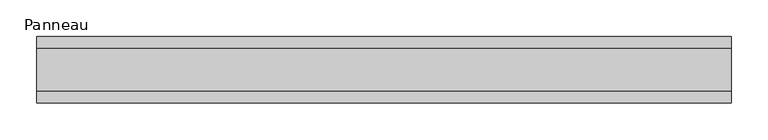
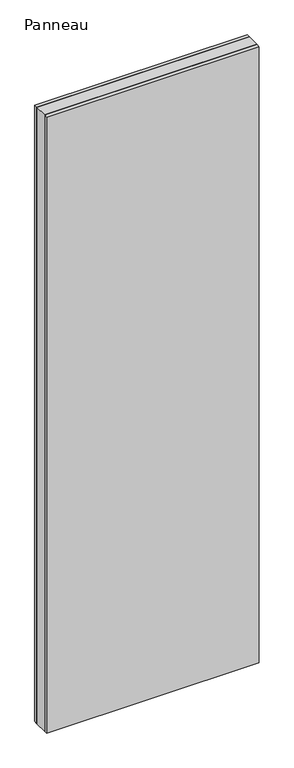
"""IFC4 building model written with IfcOpenShell, lengths in millimetres: plate geometry, Panneau."""

import ifcopenshell
import ifcopenshell.guid

model = None  # the IFC model being written
_history = None  # IfcOwnerHistory: only IFC2X3 demands one
_inside = {}  # id of a spatial element -> (the spatial element, [elements in it])
_under = {}  # id of a project, library or spatial element -> (it, [spatial elements below it])
_declared = {}  # id of a project -> (the project, [libraries it declares])
_typed = {}  # id of a type object -> (the type object, [elements of that type])
_made_of = {}  # id of a material, layer set ... -> (it, [elements and type objects made of it])


def new_model(schema):
    """Start an empty IFC model of exactly this schema.

    Asked for "IFC4X3", IfcOpenShell would pick the latest addendum, in which some entities
    have other attributes; the version numbers below select the first issue.
    IFC2X3 requires an IfcOwnerHistory on every rooted entity: one is made here for all.
    """
    global model, _history
    if schema == "IFC4X3":
        model = ifcopenshell.file(schema_version=(4, 3, 0, 0))
    else:
        model = ifcopenshell.file(schema=schema)
    _inside.clear()
    _under.clear()
    _declared.clear()
    _typed.clear()
    _made_of.clear()
    _history = None
    if model.schema == "IFC2X3":
        org = make("IfcOrganization", Name="unknown")
        user = make(
            "IfcPersonAndOrganization",
            ThePerson=make("IfcPerson", FamilyName="unknown"),
            TheOrganization=org,
        )
        app = make(
            "IfcApplication",
            ApplicationDeveloper=org,
            Version="unknown",
            ApplicationFullName="unknown",
            ApplicationIdentifier="unknown",
        )
        _history = make(
            "IfcOwnerHistory",
            OwningUser=user,
            OwningApplication=app,
            ChangeAction="ADDED",
            CreationDate=0,
        )
    return model


def make(cls, **values):
    """One entity of the class cls with the attributes given. An attribute that is None is left unset."""
    return model.create_entity(
        cls, **{name: value for name, value in values.items() if value is not None}
    )


def rooted(cls, **values):
    """An entity with a GlobalId (a new one), such as an element, a storey or a relation."""
    return make(cls, GlobalId=ifcopenshell.guid.new(), OwnerHistory=_history, **values)


def si_unit(unit_type, name, prefix=None):
    """IfcSIUnit, for example si_unit("LENGTHUNIT", "METRE", prefix="MILLI")."""
    return make("IfcSIUnit", UnitType=unit_type, Prefix=prefix, Name=name)


def assignment(units):
    """IfcUnitAssignment: the units of a project."""
    return None if units is None else make("IfcUnitAssignment", Units=units)


def point(xyz):
    """IfcCartesianPoint."""
    return None if xyz is None else make("IfcCartesianPoint", Coordinates=xyz)


def direction(xyz):
    """IfcDirection."""
    return None if xyz is None else make("IfcDirection", DirectionRatios=xyz)


def frame(location, z_axis=None, x_axis=None):
    """IfcAxis2Placement3D, a coordinate frame: its origin and axes. An axis left out is left unset."""
    return make(
        "IfcAxis2Placement3D",
        Location=point(location),
        Axis=direction(z_axis),
        RefDirection=direction(x_axis),
    )


def origin():
    """The frame at (0, 0, 0) with its axes left unset."""
    return frame((0.0, 0.0, 0.0))


def origin_with_axes():
    """The frame at (0, 0, 0) with the z axis (0, 0, 1) and the x axis (1, 0, 0) written out."""
    return frame((0.0, 0.0, 0.0), z_axis=(0.0, 0.0, 1.0), x_axis=(1.0, 0.0, 0.0))


def place(relative_to, where):
    """IfcLocalPlacement: puts the frame where relative to a parent placement (None: the world)."""
    return make(
        "IfcLocalPlacement", PlacementRelTo=relative_to, RelativePlacement=where
    )


def context(
    kind, dimensions, precision=None, world=None, true_north=None, identifier=None
):
    """IfcGeometricRepresentationContext, for example the 3D "Model" context."""
    return make(
        "IfcGeometricRepresentationContext",
        ContextIdentifier=identifier,
        ContextType=kind,
        CoordinateSpaceDimension=dimensions,
        Precision=precision,
        WorldCoordinateSystem=world,
        TrueNorth=true_north,
    )


def project(units=None, contexts=None):
    """IfcProject with its units and contexts."""
    return rooted(
        "IfcProject",
        Name="project",
        RepresentationContexts=contexts,
        UnitsInContext=assignment(units),
    )


def spatial(cls, under=None, at=None, **own):
    """A site, building, storey or space (cls), placed at a placement, below another one or the project."""
    s = rooted(cls, ObjectPlacement=at, **own)
    if under is not None:
        _under.setdefault(under.id(), (under, []))[1].append(s)
    return s


def polyline(points):
    """IfcPolyline through the points."""
    return make("IfcPolyline", Points=[point(p) for p in points])


def outline(outer, holes=None, kind="AREA"):
    """IfcArbitraryClosedProfileDef: a profile drawn as a closed curve; with holes, ...WithVoids."""
    if holes is None:
        return make("IfcArbitraryClosedProfileDef", ProfileType=kind, OuterCurve=outer)
    return make(
        "IfcArbitraryProfileDefWithVoids",
        ProfileType=kind,
        OuterCurve=outer,
        InnerCurves=holes,
    )


def extrude(swept, where, along, depth):
    """IfcExtrudedAreaSolid: the profile swept, set in the frame where, extruded along a direction by depth."""
    return make(
        "IfcExtrudedAreaSolid",
        SweptArea=swept,
        Position=where,
        ExtrudedDirection=direction(along),
        Depth=depth,
    )


def shape(context_of_items, identifier, shape_type, items):
    """IfcShapeRepresentation: the items that make up one representation, for example the "Body"."""
    return make(
        "IfcShapeRepresentation",
        ContextOfItems=context_of_items,
        RepresentationIdentifier=identifier,
        RepresentationType=shape_type,
        Items=items,
    )


def source(mapping_origin, context_of_items, identifier, shape_type, items):
    """IfcRepresentationMap: a shape defined once, which mapped items show again and again."""
    return make(
        "IfcRepresentationMap",
        MappingOrigin=mapping_origin,
        MappedRepresentation=shape(context_of_items, identifier, shape_type, items),
    )


def transform(
    local_origin,
    x_axis=None,
    y_axis=None,
    z_axis=None,
    scale=None,
    scale2=None,
    scale3=None,
    uniform=True,
):
    """IfcCartesianTransformationOperator3D, or its non-uniform kind. x_axis, y_axis, z_axis: its Axis1, 2, 3."""
    if uniform:
        return make(
            "IfcCartesianTransformationOperator3D",
            Axis1=direction(x_axis),
            Axis2=direction(y_axis),
            LocalOrigin=point(local_origin),
            Scale=scale,
            Axis3=direction(z_axis),
        )
    return make(
        "IfcCartesianTransformationOperator3DnonUniform",
        Axis1=direction(x_axis),
        Axis2=direction(y_axis),
        LocalOrigin=point(local_origin),
        Scale=scale,
        Axis3=direction(z_axis),
        Scale2=scale2,
        Scale3=scale3,
    )


def mapped(mapping_source, mapping_target):
    """IfcMappedItem: shows the shape of a source again, moved by a transform."""
    return make(
        "IfcMappedItem", MappingSource=mapping_source, MappingTarget=mapping_target
    )


def made_of(thing, what):
    """Note that an element or type object is made of a material, layer set ...; save() writes the relation."""
    if what is not None:
        _made_of.setdefault(what.id(), (what, []))[1].append(thing)
    return thing


def element(
    cls,
    number,
    at=None,
    inside=None,
    cuts=None,
    type_object=None,
    material=None,
    context=None,
    identifier="Body",
    shape_type=None,
    held_by="IfcProductDefinitionShape",
    body=None,
    shapes=None,
    **own,
):
    """One element of the class cls, such as IfcWall. Its Tag is "e" and its number.

    at: its placement. inside: the storey or other place that contains it. cuts: it is an
    opening in that element (IfcRelVoidsElement). A single representation is given by context,
    identifier, shape_type and body (its items); several are given by shapes. held_by: the class
    of the entity that holds the representations. save() writes the other relations.
    """
    e = rooted(cls, Tag="e%d" % number, ObjectPlacement=at, **own)
    if body is not None:
        shapes = [shape(context, identifier, shape_type, body)]
    if shapes is not None:
        e.Representation = make(held_by, Representations=shapes)
    if inside is not None:
        _inside.setdefault(inside.id(), (inside, []))[1].append(e)
    if cuts is not None:
        rooted(
            "IfcRelVoidsElement", RelatingBuildingElement=cuts, RelatedOpeningElement=e
        )
    if type_object is not None:
        _typed.setdefault(type_object.id(), (type_object, []))[1].append(e)
    return made_of(e, material)


def aggregate(whole, parts):
    """IfcRelAggregates: a whole, such as a stair, and the parts it consists of."""
    return rooted("IfcRelAggregates", RelatingObject=whole, RelatedObjects=parts)


def save(model, path):
    """Write the relations noted so far, then the file.

    IfcRelAggregates (storeys below a building ...), IfcRelContainedInSpatialStructure (elements
    in a storey), IfcRelDefinesByType, IfcRelAssociatesMaterial and IfcRelDeclares: one each for
    every whole, place, type object, material and project.
    """
    for whole, parts in _under.values():
        aggregate(whole, parts)
    for where, things in _inside.values():
        rooted(
            "IfcRelContainedInSpatialStructure",
            RelatedElements=things,
            RelatingStructure=where,
        )
    for kind, things in _typed.values():
        rooted("IfcRelDefinesByType", RelatedObjects=things, RelatingType=kind)
    for what, things in _made_of.values():
        rooted("IfcRelAssociatesMaterial", RelatedObjects=things, RelatingMaterial=what)
    for by, libraries in _declared.values():
        rooted("IfcRelDeclares", RelatingContext=by, RelatedDefinitions=libraries)
    model.write(path)


def panneau_57b8a1dd(model_context):
    return source(origin(), model_context, "Body", "SweptSolid", [
        extrude(outline(polyline([(471.085358, 29.0), (471.085358, -29.0), (-471.085358, -29.0), (-471.085358, 29.0), (471.085358, 29.0)])), origin_with_axes(), (0.0, 0.0, 1.0), 2885.0),
        extrude(outline(polyline([(471.085358, 45.0), (471.085358, 29.0), (-471.085358, 29.0), (-471.085358, 45.0), (471.085358, 45.0)])), origin_with_axes(), (0.0, 0.0, 1.0), 2885.0),
        extrude(outline(polyline([(-471.085358, -45.0), (-471.085358, -29.0), (471.085358, -29.0), (471.085358, -45.0), (-471.085358, -45.0)])), origin_with_axes(), (0.0, 0.0, 1.0), 2885.0),
    ])


if __name__ == "__main__":
    model = new_model("IFC4")
    model_context = context("Model", 3, world=origin())
    ifc_project = project(units=[si_unit("LENGTHUNIT", "METRE", prefix="MILLI")], contexts=[model_context])
    site = spatial("IfcSite", under=ifc_project)
    building = spatial("IfcBuilding", under=site)
    placement = place(None, origin())
    panneau_shape = panneau_57b8a1dd(model_context)
    element("IfcPlate", 1, ObjectType="Panneau", at=placement, inside=building, context=model_context, shape_type="MappedRepresentation", body=[
        mapped(panneau_shape, transform((0.0, 0.0, 0.0), x_axis=(1.0, 0.0, 0.0), y_axis=(0.0, 1.0, 0.0), z_axis=(0.0, 0.0, 1.0))),
    ])
    save(model, "model.ifc")
